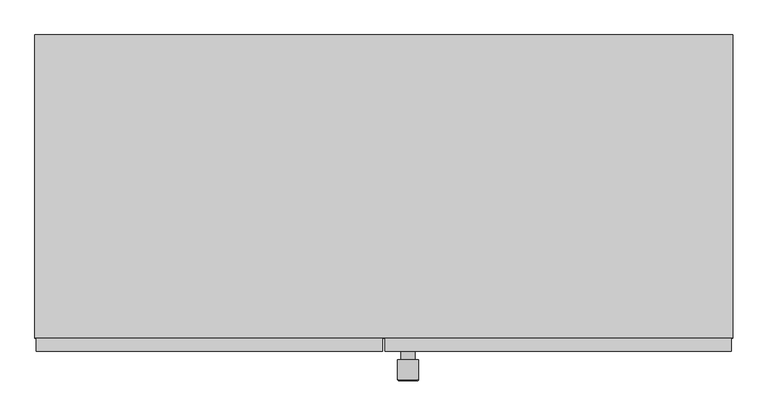
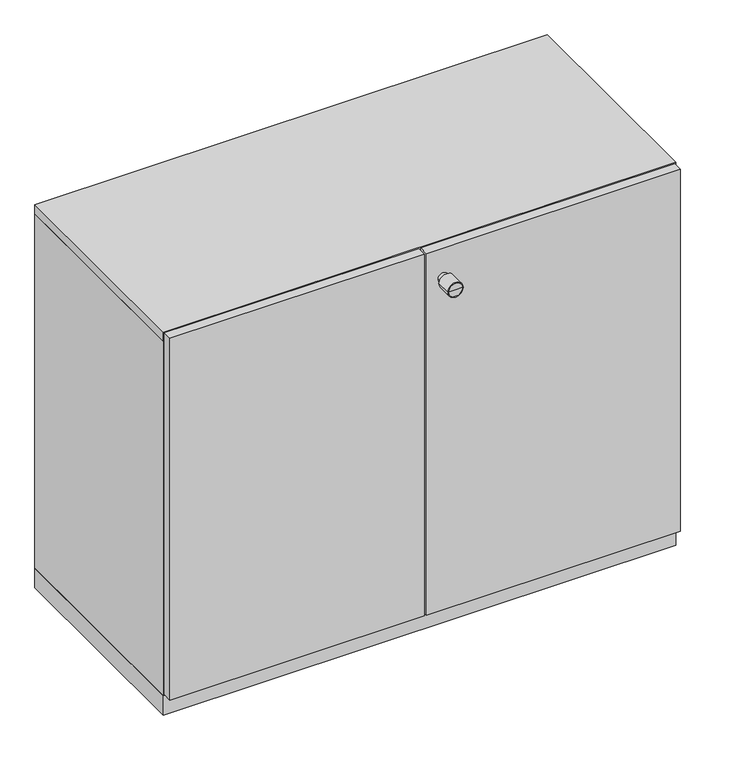
"""IFC4 building model written with IfcOpenShell, lengths in millimetres: furniture geometry."""

import ifcopenshell
import ifcopenshell.guid

model = None  # the IFC model being written
_history = None  # IfcOwnerHistory: only IFC2X3 demands one
_inside = {}  # id of a spatial element -> (the spatial element, [elements in it])
_under = {}  # id of a project, library or spatial element -> (it, [spatial elements below it])
_declared = {}  # id of a project -> (the project, [libraries it declares])
_typed = {}  # id of a type object -> (the type object, [elements of that type])
_made_of = {}  # id of a material, layer set ... -> (it, [elements and type objects made of it])


def new_model(schema):
    """Start an empty IFC model of exactly this schema.

    Asked for "IFC4X3", IfcOpenShell would pick the latest addendum, in which some entities
    have other attributes; the version numbers below select the first issue.
    IFC2X3 requires an IfcOwnerHistory on every rooted entity: one is made here for all.
    """
    global model, _history
    if schema == "IFC4X3":
        model = ifcopenshell.file(schema_version=(4, 3, 0, 0))
    else:
        model = ifcopenshell.file(schema=schema)
    _inside.clear()
    _under.clear()
    _declared.clear()
    _typed.clear()
    _made_of.clear()
    _history = None
    if model.schema == "IFC2X3":
        org = make("IfcOrganization", Name="unknown")
        user = make(
            "IfcPersonAndOrganization",
            ThePerson=make("IfcPerson", FamilyName="unknown"),
            TheOrganization=org,
        )
        app = make(
            "IfcApplication",
            ApplicationDeveloper=org,
            Version="unknown",
            ApplicationFullName="unknown",
            ApplicationIdentifier="unknown",
        )
        _history = make(
            "IfcOwnerHistory",
            OwningUser=user,
            OwningApplication=app,
            ChangeAction="ADDED",
            CreationDate=0,
        )
    return model


def make(cls, **values):
    """One entity of the class cls with the attributes given. An attribute that is None is left unset."""
    return model.create_entity(
        cls, **{name: value for name, value in values.items() if value is not None}
    )


def rooted(cls, **values):
    """An entity with a GlobalId (a new one), such as an element, a storey or a relation."""
    return make(cls, GlobalId=ifcopenshell.guid.new(), OwnerHistory=_history, **values)


def si_unit(unit_type, name, prefix=None):
    """IfcSIUnit, for example si_unit("LENGTHUNIT", "METRE", prefix="MILLI")."""
    return make("IfcSIUnit", UnitType=unit_type, Prefix=prefix, Name=name)


def assignment(units):
    """IfcUnitAssignment: the units of a project."""
    return None if units is None else make("IfcUnitAssignment", Units=units)


def point(xyz):
    """IfcCartesianPoint."""
    return None if xyz is None else make("IfcCartesianPoint", Coordinates=xyz)


def direction(xyz):
    """IfcDirection."""
    return None if xyz is None else make("IfcDirection", DirectionRatios=xyz)


def frame(location, z_axis=None, x_axis=None):
    """IfcAxis2Placement3D, a coordinate frame: its origin and axes. An axis left out is left unset."""
    return make(
        "IfcAxis2Placement3D",
        Location=point(location),
        Axis=direction(z_axis),
        RefDirection=direction(x_axis),
    )


def origin():
    """The frame at (0, 0, 0) with its axes left unset."""
    return frame((0.0, 0.0, 0.0))


def origin_with_axes():
    """The frame at (0, 0, 0) with the z axis (0, 0, 1) and the x axis (1, 0, 0) written out."""
    return frame((0.0, 0.0, 0.0), z_axis=(0.0, 0.0, 1.0), x_axis=(1.0, 0.0, 0.0))


def place(relative_to, where):
    """IfcLocalPlacement: puts the frame where relative to a parent placement (None: the world)."""
    return make(
        "IfcLocalPlacement", PlacementRelTo=relative_to, RelativePlacement=where
    )


def context(
    kind, dimensions, precision=None, world=None, true_north=None, identifier=None
):
    """IfcGeometricRepresentationContext, for example the 3D "Model" context."""
    return make(
        "IfcGeometricRepresentationContext",
        ContextIdentifier=identifier,
        ContextType=kind,
        CoordinateSpaceDimension=dimensions,
        Precision=precision,
        WorldCoordinateSystem=world,
        TrueNorth=true_north,
    )


def project(units=None, contexts=None):
    """IfcProject with its units and contexts."""
    return rooted(
        "IfcProject",
        Name="project",
        RepresentationContexts=contexts,
        UnitsInContext=assignment(units),
    )


def spatial(cls, under=None, at=None, **own):
    """A site, building, storey or space (cls), placed at a placement, below another one or the project."""
    s = rooted(cls, ObjectPlacement=at, **own)
    if under is not None:
        _under.setdefault(under.id(), (under, []))[1].append(s)
    return s


def polyline(points):
    """IfcPolyline through the points."""
    return make("IfcPolyline", Points=[point(p) for p in points])


def circle_curve(where, radius):
    """IfcCircle in the frame where."""
    return make("IfcCircle", Position=where, Radius=radius)


def ellipse_curve(where, semi_axis1, semi_axis2):
    """IfcEllipse in the frame where."""
    return make(
        "IfcEllipse", Position=where, SemiAxis1=semi_axis1, SemiAxis2=semi_axis2
    )


def trimmed(basis, trim1, trim2, sense, master):
    """IfcTrimmedCurve: the piece of a basis curve between two trims."""
    return make(
        "IfcTrimmedCurve",
        BasisCurve=basis,
        Trim1=trim1,
        Trim2=trim2,
        SenseAgreement=sense,
        MasterRepresentation=master,
    )


def outline(outer, holes=None, kind="AREA"):
    """IfcArbitraryClosedProfileDef: a profile drawn as a closed curve; with holes, ...WithVoids."""
    if holes is None:
        return make("IfcArbitraryClosedProfileDef", ProfileType=kind, OuterCurve=outer)
    return make(
        "IfcArbitraryProfileDefWithVoids",
        ProfileType=kind,
        OuterCurve=outer,
        InnerCurves=holes,
    )


def extrude(swept, where, along, depth):
    """IfcExtrudedAreaSolid: the profile swept, set in the frame where, extruded along a direction by depth."""
    return make(
        "IfcExtrudedAreaSolid",
        SweptArea=swept,
        Position=where,
        ExtrudedDirection=direction(along),
        Depth=depth,
    )


def shape(context_of_items, identifier, shape_type, items):
    """IfcShapeRepresentation: the items that make up one representation, for example the "Body"."""
    return make(
        "IfcShapeRepresentation",
        ContextOfItems=context_of_items,
        RepresentationIdentifier=identifier,
        RepresentationType=shape_type,
        Items=items,
    )


def source(mapping_origin, context_of_items, identifier, shape_type, items):
    """IfcRepresentationMap: a shape defined once, which mapped items show again and again."""
    return make(
        "IfcRepresentationMap",
        MappingOrigin=mapping_origin,
        MappedRepresentation=shape(context_of_items, identifier, shape_type, items),
    )


def transform(
    local_origin,
    x_axis=None,
    y_axis=None,
    z_axis=None,
    scale=None,
    scale2=None,
    scale3=None,
    uniform=True,
):
    """IfcCartesianTransformationOperator3D, or its non-uniform kind. x_axis, y_axis, z_axis: its Axis1, 2, 3."""
    if uniform:
        return make(
            "IfcCartesianTransformationOperator3D",
            Axis1=direction(x_axis),
            Axis2=direction(y_axis),
            LocalOrigin=point(local_origin),
            Scale=scale,
            Axis3=direction(z_axis),
        )
    return make(
        "IfcCartesianTransformationOperator3DnonUniform",
        Axis1=direction(x_axis),
        Axis2=direction(y_axis),
        LocalOrigin=point(local_origin),
        Scale=scale,
        Axis3=direction(z_axis),
        Scale2=scale2,
        Scale3=scale3,
    )


def mapped(mapping_source, mapping_target):
    """IfcMappedItem: shows the shape of a source again, moved by a transform."""
    return make(
        "IfcMappedItem", MappingSource=mapping_source, MappingTarget=mapping_target
    )


def made_of(thing, what):
    """Note that an element or type object is made of a material, layer set ...; save() writes the relation."""
    if what is not None:
        _made_of.setdefault(what.id(), (what, []))[1].append(thing)
    return thing


def element(
    cls,
    number,
    at=None,
    inside=None,
    cuts=None,
    type_object=None,
    material=None,
    context=None,
    identifier="Body",
    shape_type=None,
    held_by="IfcProductDefinitionShape",
    body=None,
    shapes=None,
    **own,
):
    """One element of the class cls, such as IfcWall. Its Tag is "e" and its number.

    at: its placement. inside: the storey or other place that contains it. cuts: it is an
    opening in that element (IfcRelVoidsElement). A single representation is given by context,
    identifier, shape_type and body (its items); several are given by shapes. held_by: the class
    of the entity that holds the representations. save() writes the other relations.
    """
    e = rooted(cls, Tag="e%d" % number, ObjectPlacement=at, **own)
    if body is not None:
        shapes = [shape(context, identifier, shape_type, body)]
    if shapes is not None:
        e.Representation = make(held_by, Representations=shapes)
    if inside is not None:
        _inside.setdefault(inside.id(), (inside, []))[1].append(e)
    if cuts is not None:
        rooted(
            "IfcRelVoidsElement", RelatingBuildingElement=cuts, RelatedOpeningElement=e
        )
    if type_object is not None:
        _typed.setdefault(type_object.id(), (type_object, []))[1].append(e)
    return made_of(e, material)


def aggregate(whole, parts):
    """IfcRelAggregates: a whole, such as a stair, and the parts it consists of."""
    return rooted("IfcRelAggregates", RelatingObject=whole, RelatedObjects=parts)


def save(model, path):
    """Write the relations noted so far, then the file.

    IfcRelAggregates (storeys below a building ...), IfcRelContainedInSpatialStructure (elements
    in a storey), IfcRelDefinesByType, IfcRelAssociatesMaterial and IfcRelDeclares: one each for
    every whole, place, type object, material and project.
    """
    for whole, parts in _under.values():
        aggregate(whole, parts)
    for where, things in _inside.values():
        rooted(
            "IfcRelContainedInSpatialStructure",
            RelatedElements=things,
            RelatingStructure=where,
        )
    for kind, things in _typed.values():
        rooted("IfcRelDefinesByType", RelatedObjects=things, RelatingType=kind)
    for what, things in _made_of.values():
        rooted("IfcRelAssociatesMaterial", RelatedObjects=things, RelatingMaterial=what)
    for by, libraries in _declared.values():
        rooted("IfcRelDeclares", RelatingContext=by, RelatedDefinitions=libraries)
    model.write(path)


def plane_surface(at):
    """IfcPlane: the flat surface through the origin of the frame at, square to its z axis."""
    return make("IfcPlane", Position=at)


def cylinder_surface(at, radius):
    """IfcCylindricalSurface: all points at the distance radius from the z axis of the frame at."""
    return make("IfcCylindricalSurface", Position=at, Radius=radius)


def revolved_surface(curve, axis_point, axis_direction):
    """IfcSurfaceOfRevolution: the curve turned about the line through axis_point along axis_direction."""
    return make(
        "IfcSurfaceOfRevolution",
        SweptCurve=make("IfcArbitraryOpenProfileDef", ProfileType="CURVE", Curve=curve),
        AxisPosition=make("IfcAxis1Placement", Location=point(axis_point), Axis=direction(axis_direction)),
    )


def advanced_brep(points, edges, surfaces, faces):
    """IfcAdvancedBrep: a solid bounded by faces that lie on surfaces and meet in shared edges.

    An edge is (start, end): straight between two places in points (the first is 0);
    or (start, end, curve); or (start, end, curve, False) where it runs against its curve.
    A face is (place in surfaces, loops), or (place, loops, False) where it looks against
    its surface's normal. A loop lists edges by number (the first is 1), with a minus sign
    where the edge is run from its end to its start. The first loop is the outer one.
    """
    corners = [point(p) for p in points]
    vertices = [make("IfcVertexPoint", VertexGeometry=c) for c in corners]
    made = []
    for start, end, *more in edges:
        made.append(
            make(
                "IfcEdgeCurve",
                EdgeStart=vertices[start],
                EdgeEnd=vertices[end],
                EdgeGeometry=more[0] if more else make("IfcPolyline", Points=[corners[start], corners[end]]),
                SameSense=more[1] if len(more) > 1 else True,
            )
        )
    hull = []
    for where, loops, *sense in faces:
        bounds = []
        for j, loop in enumerate(loops):
            ring = [make("IfcOrientedEdge", EdgeElement=made[abs(k) - 1], Orientation=k > 0) for k in loop]
            bounds.append(
                make(
                    "IfcFaceOuterBound" if j == 0 else "IfcFaceBound",
                    Bound=make("IfcEdgeLoop", EdgeList=ring),
                    Orientation=True,
                )
            )
        hull.append(make("IfcAdvancedFace", Bounds=bounds, FaceSurface=surfaces[where], SameSense=sense[0] if sense else True))
    return make("IfcAdvancedBrep", Outer=make("IfcClosedShell", CfsFaces=hull))


def furniture_1f271c0a(model_context):
    return source(origin(), model_context, "Body", "SolidModel", [
        advanced_brep(
        [(-255.0, -248.0, 727.0), (-275.0, -248.0, 727.0), (-275.0, -236.0, 727.0), (-255.0, -236.0, 727.0), (-250.0, -248.0, 727.0), (-280.0, -248.0, 727.0), (-250.0, -277.0, 727.0), (-280.0, -277.0, 727.0), (-251.0, -278.0, 727.0), (-279.0, -278.0, 727.0), (-265.0, -278.0, 727.0), (-265.0, -236.0, 727.0)],
        [
            (0, 1, circle_curve(frame((-265.0, -248.0, 727.0), z_axis=(0.0, 1.0, 0.0), x_axis=(-1.0, 0.0, 0.0)), 10.0)),
            (1, 2),
            (2, 3, circle_curve(frame((-265.0, -236.0, 727.0), z_axis=(0.0, -1.0, 0.0), x_axis=(-1.0, 0.0, 0.0)), 10.0)),
            (3, 0),
            (1, 0, circle_curve(frame((-265.0, -248.0, 727.0), z_axis=(0.0, 1.0, 0.0), x_axis=(-1.0, 0.0, 0.0)), 10.0)),
            (3, 2, circle_curve(frame((-265.0, -236.0, 727.0), z_axis=(0.0, -1.0, 0.0), x_axis=(-1.0, 0.0, 0.0)), 10.0)),
            (4, 5, circle_curve(frame((-265.0, -248.0, 727.0), z_axis=(0.0, 1.0, 0.0), x_axis=(-1.0, 0.0, 0.0)), 15.0)),
            (5, 1),
            (0, 4),
            (5, 4, circle_curve(frame((-265.0, -248.0, 727.0), z_axis=(0.0, 1.0, 0.0), x_axis=(-1.0, 0.0, 0.0)), 15.0)),
            (6, 7, circle_curve(frame((-265.0, -277.0, 727.0), z_axis=(0.0, 1.0, 0.0), x_axis=(-1.0, 0.0, 0.0)), 15.0)),
            (7, 5),
            (4, 6),
            (7, 6, circle_curve(frame((-265.0, -277.0, 727.0), z_axis=(0.0, 1.0, 0.0), x_axis=(-1.0, 0.0, 0.0)), 15.0)),
            (8, 9, circle_curve(frame((-265.0, -278.0, 727.0), z_axis=(0.0, 1.0, 0.0), x_axis=(-1.0, 0.0, 0.0)), 14.0)),
            (9, 7, circle_curve(frame((-279.0, -277.0, 727.0), z_axis=(0.0, 0.0, -1.0), x_axis=(-1.0, 0.0, 0.0)), 1.0)),
            (6, 8, circle_curve(frame((-251.0, -277.0, 727.0), z_axis=(0.0, 0.0, -1.0), x_axis=(1.0, 0.0, 0.0)), 1.0)),
            (9, 8, circle_curve(frame((-265.0, -278.0, 727.0), z_axis=(0.0, 1.0, 0.0), x_axis=(-1.0, 0.0, 0.0)), 14.0)),
            (10, 9),
            (8, 10),
            (2, 11),
            (11, 3),
        ],
        [
            cylinder_surface(frame((-265.0, -278.0, 727.0), z_axis=(0.0, -1.0, 0.0), x_axis=(-1.0, 0.0, 0.0)), 10.0),
            plane_surface(frame((-265.0, -248.0, 727.0), z_axis=(0.0, 1.0, 0.0), x_axis=(-1.0, 0.0, 0.0))),
            cylinder_surface(frame((-265.0, -278.0, 727.0), z_axis=(0.0, -1.0, 0.0), x_axis=(-1.0, 0.0, 0.0)), 15.0),
            revolved_surface(trimmed(ellipse_curve(frame((-279.0, -277.0, 727.0), z_axis=(0.0, 0.0, 1.0), x_axis=(-1.0, 0.0, 0.0)), 1.0, 1.0), [point((-280.0, -277.0, 727.0))], [point((-279.0, -278.0, 727.0))], True, "CARTESIAN"), (-265.0, -278.0, 727.0), (0.0, -1.0, 0.0)),
            plane_surface(frame((-265.0, -278.0, 727.0), z_axis=(0.0, -1.0, 0.0), x_axis=(-1.0, 0.0, 0.0))),
            plane_surface(frame((-265.0, -236.0, 727.0), z_axis=(0.0, 1.0, 0.0), x_axis=(-1.0, 0.0, 0.0))),
        ],
        [
            (0, [[1, 2, 3, 4]]),
            (0, [[5, -4, 6, -2]]),
            (1, [[7, 8, -1, 9]]),
            (1, [[10, -9, -5, -8]]),
            (2, [[11, 12, -7, 13]]),
            (2, [[14, -13, -10, -12]]),
            (3, [[15, 16, -11, 17]]),
            (3, [[18, -17, -14, -16]]),
            (4, [[19, -15, 20]]),
            (4, [[-20, -18, -19]]),
            (5, [[-3, 21, 22]]),
            (5, [[-6, -22, -21]]),
        ],
    ),
        extrude(outline(polyline([(-302.0, -236.0), (-798.0, -236.0), (-798.0, -217.0), (-302.0, -217.0), (-302.0, -236.0)])), frame((0.0, 0.0, 42.0), z_axis=(0.0, 0.0, 1.0), x_axis=(1.0, 0.0, 0.0)), (0.0, 0.0, 1.0), 746.0),
        extrude(outline(polyline([(198.0, -236.0), (-298.0, -236.0), (-298.0, -217.0), (198.0, -217.0), (198.0, -236.0)])), frame((0.0, 0.0, 42.0), z_axis=(0.0, 0.0, 1.0), x_axis=(1.0, 0.0, 0.0)), (0.0, 0.0, 1.0), 746.0),
        extrude(outline(polyline([(181.0, 209.0), (-781.0, 209.0), (-781.0, 217.0), (181.0, 217.0), (181.0, 209.0)])), frame((0.0, 0.0, 59.0), z_axis=(0.0, 0.0, 1.0), x_axis=(1.0, 0.0, 0.0)), (0.0, 0.0, 1.0), 712.0),
        extrude(outline(polyline([(-800.0, -217.0), (-800.0, 217.0), (200.0, 217.0), (200.0, -217.0), (-800.0, -217.0)])), origin_with_axes(), (0.0, 0.0, 1.0), 40.0),
        extrude(outline(polyline([(-800.0, -217.0), (-800.0, 217.0), (200.0, 217.0), (200.0, -217.0), (-800.0, -217.0)])), frame((0.0, 0.0, 771.0), z_axis=(0.0, 0.0, 1.0), x_axis=(1.0, 0.0, 0.0)), (0.0, 0.0, 1.0), 19.0),
        extrude(outline(polyline([(200.0, 217.0), (200.0, -217.0), (181.0, -217.0), (181.0, 217.0), (200.0, 217.0)])), frame((0.0, 0.0, 40.0), z_axis=(0.0, 0.0, 1.0), x_axis=(1.0, 0.0, 0.0)), (0.0, 0.0, 1.0), 731.0),
        extrude(outline(polyline([(-781.0, 217.0), (-781.0, -217.0), (-800.0, -217.0), (-800.0, 217.0), (-781.0, 217.0)])), frame((0.0, 0.0, 40.0), z_axis=(0.0, 0.0, 1.0), x_axis=(1.0, 0.0, 0.0)), (0.0, 0.0, 1.0), 731.0),
        extrude(outline(polyline([(181.0, 217.0), (181.0, -217.0), (-781.0, -217.0), (-781.0, 217.0), (181.0, 217.0)])), frame((0.0, 0.0, 40.0), z_axis=(0.0, 0.0, 1.0), x_axis=(1.0, 0.0, 0.0)), (0.0, 0.0, 1.0), 19.0),
    ])


if __name__ == "__main__":
    model = new_model("IFC4")
    model_context = context("Model", 3, world=origin())
    ifc_project = project(units=[si_unit("LENGTHUNIT", "METRE", prefix="MILLI")], contexts=[model_context])
    site = spatial("IfcSite", under=ifc_project)
    building = spatial("IfcBuilding", under=site)
    placement = place(None, origin())
    furniture_shape = furniture_1f271c0a(model_context)
    element("IfcFurniture", 1, at=placement, inside=building, context=model_context, shape_type="MappedRepresentation", body=[
        mapped(furniture_shape, transform((0.0, 0.0, 0.0), x_axis=(1.0, 0.0, 0.0), y_axis=(0.0, 1.0, 0.0), z_axis=(0.0, 0.0, 1.0))),
    ])
    save(model, "model.ifc")
